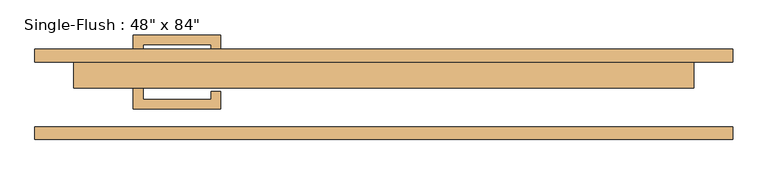
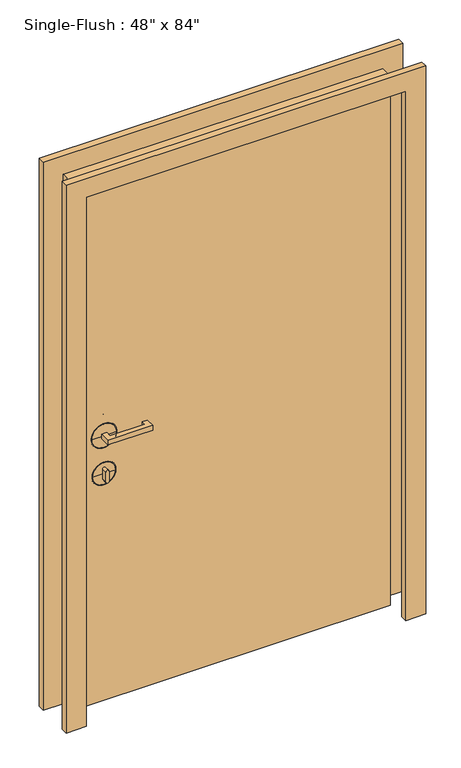
"""IFC4 building model written with IfcOpenShell, lengths in millimetres: door geometry."""

from ifc_helpers import new_model, si_unit, point, frame, frame_2d, origin, origin_with_axes, place, context, project, spatial, polyline, circle_curve, ellipse_curve, trimmed, segment, composite_curve, outline, extrude, source, transform, mapped, element, save
from ifc_brep_helpers import plane_surface, cylinder_surface, revolved_surface, advanced_brep


def door_68fa05bd(model_context):
    return source(origin(), model_context, "Body", "SolidModel", [
        extrude(outline(polyline([(-473.075, 12.7), (-473.075, -9.525), (-339.725, -9.525), (-339.725, 6.35), (-320.675, 6.35), (-320.675, -28.575), (-492.125, -28.575), (-492.125, 12.7), (-473.075, 12.7)])), frame((0.0, 0.0, 1057.275), z_axis=(0.0, 0.0, 1.0), x_axis=(1.0, 0.0, 0.0)), (0.0, 0.0, 1.0), 19.05),
        extrude(outline(composite_curve([segment(trimmed(circle_curve(frame_2d((895.35, -482.6)), 6.35), [point((895.35, -488.95))], [point((895.35, -476.25))], False, "CARTESIAN"), True, "CONTINUOUS"), segment(polyline([(895.35, -476.25), (933.45, -476.25)]), True, "CONTINUOUS"), segment(trimmed(circle_curve(frame_2d((933.45, -482.6)), 6.35), [point((933.45, -476.25))], [point((933.45, -488.95))], False, "CARTESIAN"), True, "CONTINUOUS"), segment(polyline([(933.45, -488.95), (895.35, -488.95)]), True, "CONTINUOUS")], self_intersect=False)), frame((0.0, -9.525, 0.0), z_axis=(0.0, 1.0, 0.0), x_axis=(0.0, 0.0, 1.0)), (0.0, 0.0, 1.0), 22.225),
        advanced_brep(
        [(-434.975, 15.875, 914.4), (-434.975, 25.4, 914.4), (-530.225, 25.4, 914.4), (-530.225, 15.875, 914.4), (-438.15, 12.7, 914.4), (-527.05, 12.7, 914.4), (-482.6, 12.7, 914.4), (-482.6, 25.4, 914.4)],
        [
            (0, 1),
            (1, 2, circle_curve(frame((-482.6, 25.4, 914.4), z_axis=(0.0, -1.0, 0.0), x_axis=(-1.0, 0.0, 0.0)), 47.625)),
            (2, 3),
            (3, 0, circle_curve(frame((-482.6, 15.875, 914.4), z_axis=(0.0, 1.0, 0.0), x_axis=(-1.0, 0.0, 0.0)), 47.625)),
            (2, 1, circle_curve(frame((-482.6, 25.4, 914.4), z_axis=(0.0, -1.0, 0.0), x_axis=(-1.0, 0.0, 0.0)), 47.625)),
            (0, 3, circle_curve(frame((-482.6, 15.875, 914.4), z_axis=(0.0, 1.0, 0.0), x_axis=(-1.0, 0.0, 0.0)), 47.625)),
            (4, 0, circle_curve(frame((-438.15, 15.875, 914.4), z_axis=(0.0, 0.0, 1.0), x_axis=(-1.0, 0.0, 0.0)), 3.175)),
            (3, 5, circle_curve(frame((-527.05, 15.875, 914.4), z_axis=(0.0, 0.0, 1.0), x_axis=(1.0, 0.0, 0.0)), 3.175)),
            (5, 4, circle_curve(frame((-482.6, 12.7, 914.4), z_axis=(0.0, 1.0, 0.0), x_axis=(-1.0, 0.0, 0.0)), 44.45)),
            (4, 5, circle_curve(frame((-482.6, 12.7, 914.4), z_axis=(0.0, 1.0, 0.0), x_axis=(-1.0, 0.0, 0.0)), 44.45)),
            (6, 4),
            (5, 6),
            (1, 7),
            (7, 2),
        ],
        [
            cylinder_surface(frame((-482.6, 152.4, 914.4), z_axis=(0.0, -1.0, 0.0), x_axis=(-1.0, 0.0, 0.0)), 47.625),
            revolved_surface(trimmed(ellipse_curve(frame((-527.05, 15.875, 914.4), z_axis=(0.0, 0.0, 1.0), x_axis=(1.0, 0.0, 0.0)), 3.175, 3.175), [point((-530.225, 15.875, 914.4))], [point((-527.05, 12.7, 914.4))], True, "CARTESIAN"), (-482.6, 152.4, 914.4), (0.0, -1.0, 0.0)),
            plane_surface(frame((-482.6, 12.7, 914.4), z_axis=(0.0, -1.0, 0.0), x_axis=(-1.0, 0.0, 0.0))),
            plane_surface(frame((-482.6, 25.4, 914.4), z_axis=(0.0, 1.0, 0.0), x_axis=(-1.0, 0.0, 0.0))),
        ],
        [
            (0, [[1, 2, 3, 4]]),
            (0, [[-3, 5, -1, 6]]),
            (1, [[7, -4, 8, 9]]),
            (1, [[-8, -6, -7, 10]]),
            (2, [[11, -9, 12]]),
            (2, [[-12, -10, -11]]),
            (3, [[13, 14, -2]]),
            (3, [[-14, -13, -5]]),
        ],
    ),
        advanced_brep(
        [(-431.8, 15.875, 1066.8), (-431.8, 25.4, 1066.8), (-533.4, 25.4, 1066.8), (-533.4, 15.875, 1066.8), (-434.975, 12.7, 1066.8), (-530.225, 12.7, 1066.8), (-482.6, 12.7, 1066.8), (-482.6, 25.4, 1066.8)],
        [
            (0, 1),
            (1, 2, circle_curve(frame((-482.6, 25.4, 1066.8), z_axis=(0.0, -1.0, 0.0), x_axis=(-1.0, 0.0, 0.0)), 50.8)),
            (2, 3),
            (3, 0, circle_curve(frame((-482.6, 15.875, 1066.8), z_axis=(0.0, 1.0, 0.0), x_axis=(-1.0, 0.0, 0.0)), 50.8)),
            (2, 1, circle_curve(frame((-482.6, 25.4, 1066.8), z_axis=(0.0, -1.0, 0.0), x_axis=(-1.0, 0.0, 0.0)), 50.8)),
            (0, 3, circle_curve(frame((-482.6, 15.875, 1066.8), z_axis=(0.0, 1.0, 0.0), x_axis=(-1.0, 0.0, 0.0)), 50.8)),
            (4, 0, circle_curve(frame((-434.975, 15.875, 1066.8), z_axis=(0.0, 0.0, 1.0), x_axis=(-1.0, 0.0, 0.0)), 3.175)),
            (3, 5, circle_curve(frame((-530.225, 15.875, 1066.8), z_axis=(0.0, 0.0, 1.0), x_axis=(1.0, 0.0, 0.0)), 3.175)),
            (5, 4, circle_curve(frame((-482.6, 12.7, 1066.8), z_axis=(0.0, 1.0, 0.0), x_axis=(-1.0, 0.0, 0.0)), 47.625)),
            (4, 5, circle_curve(frame((-482.6, 12.7, 1066.8), z_axis=(0.0, 1.0, 0.0), x_axis=(-1.0, 0.0, 0.0)), 47.625)),
            (6, 4),
            (5, 6),
            (1, 7),
            (7, 2),
        ],
        [
            cylinder_surface(frame((-482.6, 152.4, 1066.8), z_axis=(0.0, -1.0, 0.0), x_axis=(-1.0, 0.0, 0.0)), 50.8),
            revolved_surface(trimmed(ellipse_curve(frame((-530.225, 15.875, 1066.8), z_axis=(0.0, 0.0, 1.0), x_axis=(1.0, 0.0, 0.0)), 3.175, 3.175), [point((-533.4, 15.875, 1066.8))], [point((-530.225, 12.7, 1066.8))], True, "CARTESIAN"), (-482.6, 152.4, 1066.8), (0.0, -1.0, 0.0)),
            plane_surface(frame((-482.6, 12.7, 1066.8), z_axis=(0.0, -1.0, 0.0), x_axis=(-1.0, 0.0, 0.0))),
            plane_surface(frame((-482.6, 25.4, 1066.8), z_axis=(0.0, 1.0, 0.0), x_axis=(-1.0, 0.0, 0.0))),
        ],
        [
            (0, [[1, 2, 3, 4]]),
            (0, [[-3, 5, -1, 6]]),
            (1, [[7, -4, 8, 9]]),
            (1, [[-8, -6, -7, 10]]),
            (2, [[11, -9, 12]]),
            (2, [[-12, -10, -11]]),
            (3, [[13, 14, -2]]),
            (3, [[-14, -13, -5]]),
        ],
    ),
        extrude(outline(polyline([(-473.075, 76.2), (-492.125, 76.2), (-492.125, 117.475), (-320.675, 117.475), (-320.675, 82.55), (-339.725, 82.55), (-339.725, 98.425), (-473.075, 98.425), (-473.075, 76.2)])), frame((0.0, 0.0, 1057.275), z_axis=(0.0, 0.0, 1.0), x_axis=(1.0, 0.0, 0.0)), (0.0, 0.0, 1.0), 19.05),
        extrude(outline(composite_curve([segment(trimmed(circle_curve(frame_2d((895.35, -482.6)), 6.35), [point((895.35, -488.95))], [point((895.35, -476.25))], False, "CARTESIAN"), True, "CONTINUOUS"), segment(polyline([(895.35, -476.25), (933.45, -476.25)]), True, "CONTINUOUS"), segment(trimmed(circle_curve(frame_2d((933.45, -482.6)), 6.35), [point((933.45, -476.25))], [point((933.45, -488.95))], False, "CARTESIAN"), True, "CONTINUOUS"), segment(polyline([(933.45, -488.95), (895.35, -488.95)]), True, "CONTINUOUS")], self_intersect=False)), frame((0.0, 76.2, 0.0), z_axis=(0.0, 1.0, 0.0), x_axis=(0.0, 0.0, 1.0)), (0.0, 0.0, 1.0), 22.225),
        advanced_brep(
        [(-434.975, 73.025, 914.4), (-530.225, 73.025, 914.4), (-530.225, 63.5, 914.4), (-434.975, 63.5, 914.4), (-438.15, 76.2, 914.4), (-527.05, 76.2, 914.4), (-482.6, 76.2, 914.4), (-482.6, 63.5, 914.4)],
        [
            (0, 1, circle_curve(frame((-482.6, 73.025, 914.4), z_axis=(0.0, -1.0, 0.0), x_axis=(-1.0, 0.0, 0.0)), 47.625)),
            (1, 2),
            (2, 3, circle_curve(frame((-482.6, 63.5, 914.4), z_axis=(0.0, 1.0, 0.0), x_axis=(-1.0, 0.0, 0.0)), 47.625)),
            (3, 0),
            (1, 0, circle_curve(frame((-482.6, 73.025, 914.4), z_axis=(0.0, -1.0, 0.0), x_axis=(-1.0, 0.0, 0.0)), 47.625)),
            (3, 2, circle_curve(frame((-482.6, 63.5, 914.4), z_axis=(0.0, 1.0, 0.0), x_axis=(-1.0, 0.0, 0.0)), 47.625)),
            (4, 5, circle_curve(frame((-482.6, 76.2, 914.4), z_axis=(0.0, -1.0, 0.0), x_axis=(-1.0, 0.0, 0.0)), 44.45)),
            (5, 1, circle_curve(frame((-527.05, 73.025, 914.4), z_axis=(0.0, 0.0, 1.0), x_axis=(1.0, 0.0, 0.0)), 3.175)),
            (0, 4, circle_curve(frame((-438.15, 73.025, 914.4), z_axis=(0.0, 0.0, 1.0), x_axis=(-1.0, 0.0, 0.0)), 3.175)),
            (5, 4, circle_curve(frame((-482.6, 76.2, 914.4), z_axis=(0.0, -1.0, 0.0), x_axis=(-1.0, 0.0, 0.0)), 44.45)),
            (6, 5),
            (4, 6),
            (2, 7),
            (7, 3),
        ],
        [
            cylinder_surface(frame((-482.6, -63.5, 914.4), z_axis=(0.0, 1.0, 0.0), x_axis=(-1.0, 0.0, 0.0)), 47.625),
            revolved_surface(trimmed(ellipse_curve(frame((-527.05, 73.025, 914.4), z_axis=(0.0, 0.0, -1.0), x_axis=(1.0, 0.0, 0.0)), 3.175, 3.175), [point((-530.225, 73.025, 914.4))], [point((-527.05, 76.2, 914.4))], True, "CARTESIAN"), (-482.6, -63.5, 914.4), (0.0, 1.0, 0.0)),
            plane_surface(frame((-482.6, 76.2, 914.4), z_axis=(0.0, 1.0, 0.0), x_axis=(-1.0, 0.0, 0.0))),
            plane_surface(frame((-482.6, 63.5, 914.4), z_axis=(0.0, -1.0, 0.0), x_axis=(-1.0, 0.0, 0.0))),
        ],
        [
            (0, [[1, 2, 3, 4]]),
            (0, [[5, -4, 6, -2]]),
            (1, [[7, 8, -1, 9]]),
            (1, [[10, -9, -5, -8]]),
            (2, [[11, -7, 12]]),
            (2, [[-12, -10, -11]]),
            (3, [[-3, 13, 14]]),
            (3, [[-6, -14, -13]]),
        ],
    ),
        advanced_brep(
        [(-431.8, 73.025, 1066.8), (-533.4, 73.025, 1066.8), (-533.4, 63.5, 1066.8), (-431.8, 63.5, 1066.8), (-434.975, 76.2, 1066.8), (-530.225, 76.2, 1066.8), (-482.6, 76.2, 1066.8), (-482.6, 63.5, 1066.8)],
        [
            (0, 1, circle_curve(frame((-482.6, 73.025, 1066.8), z_axis=(0.0, -1.0, 0.0), x_axis=(-1.0, 0.0, 0.0)), 50.8)),
            (1, 2),
            (2, 3, circle_curve(frame((-482.6, 63.5, 1066.8), z_axis=(0.0, 1.0, 0.0), x_axis=(-1.0, 0.0, 0.0)), 50.8)),
            (3, 0),
            (1, 0, circle_curve(frame((-482.6, 73.025, 1066.8), z_axis=(0.0, -1.0, 0.0), x_axis=(-1.0, 0.0, 0.0)), 50.8)),
            (3, 2, circle_curve(frame((-482.6, 63.5, 1066.8), z_axis=(0.0, 1.0, 0.0), x_axis=(-1.0, 0.0, 0.0)), 50.8)),
            (4, 5, circle_curve(frame((-482.6, 76.2, 1066.8), z_axis=(0.0, -1.0, 0.0), x_axis=(-1.0, 0.0, 0.0)), 47.625)),
            (5, 1, circle_curve(frame((-530.225, 73.025, 1066.8), z_axis=(0.0, 0.0, 1.0), x_axis=(1.0, 0.0, 0.0)), 3.175)),
            (0, 4, circle_curve(frame((-434.975, 73.025, 1066.8), z_axis=(0.0, 0.0, 1.0), x_axis=(-1.0, 0.0, 0.0)), 3.175)),
            (5, 4, circle_curve(frame((-482.6, 76.2, 1066.8), z_axis=(0.0, -1.0, 0.0), x_axis=(-1.0, 0.0, 0.0)), 47.625)),
            (6, 5),
            (4, 6),
            (2, 7),
            (7, 3),
        ],
        [
            cylinder_surface(frame((-482.6, -63.5, 1066.8), z_axis=(0.0, 1.0, 0.0), x_axis=(-1.0, 0.0, 0.0)), 50.8),
            revolved_surface(trimmed(ellipse_curve(frame((-530.225, 73.025, 1066.8), z_axis=(0.0, 0.0, -1.0), x_axis=(1.0, 0.0, 0.0)), 3.175, 3.175), [point((-533.4, 73.025, 1066.8))], [point((-530.225, 76.2, 1066.8))], True, "CARTESIAN"), (-482.6, -63.5, 1066.8), (0.0, 1.0, 0.0)),
            plane_surface(frame((-482.6, 76.2, 1066.8), z_axis=(0.0, 1.0, 0.0), x_axis=(-1.0, 0.0, 0.0))),
            plane_surface(frame((-482.6, 63.5, 1066.8), z_axis=(0.0, -1.0, 0.0), x_axis=(-1.0, 0.0, 0.0))),
        ],
        [
            (0, [[1, 2, 3, 4]]),
            (0, [[5, -4, 6, -2]]),
            (1, [[7, 8, -1, 9]]),
            (1, [[10, -9, -5, -8]]),
            (2, [[11, -7, 12]]),
            (2, [[-12, -10, -11]]),
            (3, [[-3, 13, 14]]),
            (3, [[-6, -14, -13]]),
        ],
    ),
        extrude(outline(polyline([(2209.8, -685.8), (0.0, -685.8), (0.0, -609.6), (2133.6, -609.6), (2133.6, 609.6), (0.0, 609.6), (0.0, 685.8), (2209.8, 685.8), (2209.8, -685.8)])), frame((0.0, 63.5, 0.0), z_axis=(0.0, 1.0, 0.0), x_axis=(0.0, 0.0, 1.0)), (0.0, 0.0, 1.0), 25.4),
        extrude(outline(polyline([(2209.8, 685.8), (2209.8, -685.8), (0.0, -685.8), (0.0, -609.6), (2133.6, -609.6), (2133.6, 609.6), (0.0, 609.6), (0.0, 685.8), (2209.8, 685.8)])), frame((0.0, -88.9, 0.0), z_axis=(0.0, 1.0, 0.0), x_axis=(0.0, 0.0, 1.0)), (0.0, 0.0, 1.0), 25.4),
        extrude(outline(polyline([(609.6, 12.7), (-609.6, 12.7), (-609.6, 63.5), (609.6, 63.5), (609.6, 12.7)])), origin_with_axes(), (0.0, 0.0, 1.0), 2133.6),
    ])


if __name__ == "__main__":
    model = new_model("IFC4")
    model_context = context("Model", 3, world=origin())
    ifc_project = project(units=[si_unit("LENGTHUNIT", "METRE", prefix="MILLI")], contexts=[model_context])
    site = spatial("IfcSite", under=ifc_project)
    building = spatial("IfcBuilding", under=site)
    placement = place(None, origin())
    door_shape = door_68fa05bd(model_context)
    element("IfcDoor", 1, ObjectType="Single-Flush : 48\" x 84\"", at=placement, inside=building, context=model_context, shape_type="MappedRepresentation", body=[
        mapped(door_shape, transform((0.0, 0.0, 0.0), x_axis=(1.0, 0.0, 0.0), y_axis=(0.0, 1.0, 0.0), z_axis=(0.0, 0.0, 1.0))),
    ])
    save(model, "model.ifc")
